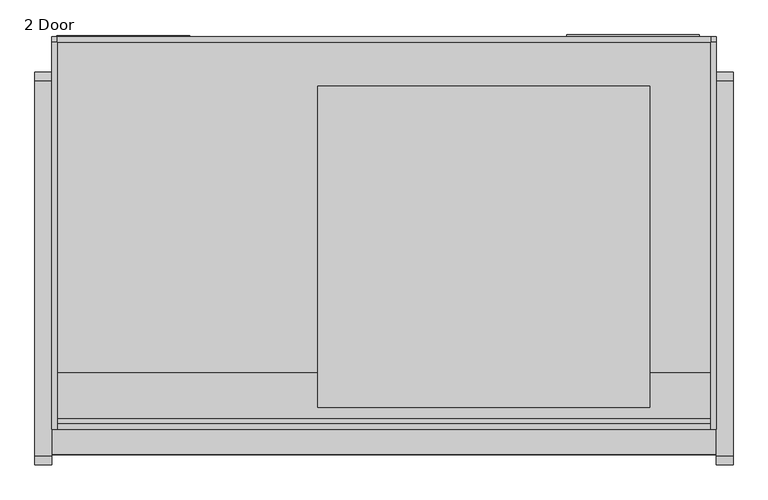
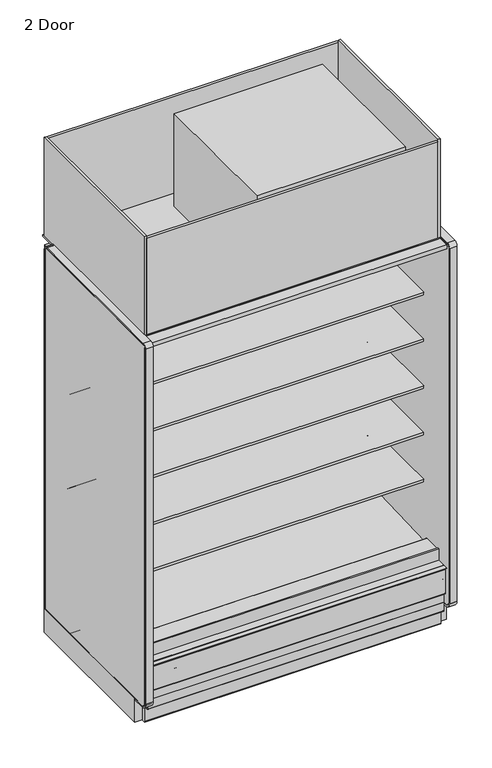
"""IFC4 building model written with IfcOpenShell, lengths in millimetres: proxy geometry, 2 Door."""

from ifc_helpers import new_model, si_unit, point, frame, frame_2d, origin, origin_with_axes, place, context, project, spatial, polyline, circle_curve, trimmed, segment, composite_curve, outline, extrude, source, transform, mapped, element, save


def proxy_2_door_3e0f81ed(model_context):
    return source(origin(), model_context, "Body", "SweptSolid", [
        extrude(outline(polyline([(0.0, -38.6530691), (0.0, 0.0), (914.4, 0.0), (914.4, -38.6530691), (0.0, -38.6530691)])), frame((1524.0, -1078.2703087, 1997.4969004), z_axis=(0.0, 0.24192189559968305, 0.9702957262759927), x_axis=(-1.0, 0.0, 0.0)), (0.0, 0.0, 1.0), 7.3408347),
        extrude(outline(polyline([(-1183.4834873, 177.8), (-1183.4834873, 195.2905293), (-1181.4991123, 191.853491), (-1181.4991123, 175.815625), (-1189.8334873, 175.815625), (-1189.8334873, 133.35), (-1191.8146873, 133.35), (-1191.8146873, 177.8), (-1183.4834873, 177.8)])), frame((0.0, 0.0, 0.0), z_axis=(1.0, 0.0, 0.0), x_axis=(0.0, 1.0, 0.0)), (0.0, 0.0, 1.0), 1524.0),
        extrude(outline(composite_curve([segment(polyline([(-1199.1652772, 323.6525395), (-1199.1652772, 322.7889395), (-1205.4517772, 322.7889395)]), True, "CONTINUOUS"), segment(trimmed(circle_curve(frame_2d((-1205.4517772, 322.0015395)), 0.7874), [point((-1205.4517772, 322.7889395))], [point((-1206.2391772, 322.0015395))], True, "CARTESIAN"), True, "CONTINUOUS"), segment(polyline([(-1206.2391772, 322.0015395), (-1206.2391772, 320.4775395), (-1206.2391772, 189.9871554)]), True, "CONTINUOUS"), segment(trimmed(circle_curve(frame_2d((-1205.4517772, 189.9871554)), 0.7874), [point((-1206.2391772, 189.9871554))], [point((-1205.0580772, 189.305247))], True, "CARTESIAN"), True, "CONTINUOUS"), segment(polyline([(-1205.0580772, 189.305247), (-1186.9673399, 199.7499391)]), True, "CONTINUOUS"), segment(trimmed(circle_curve(frame_2d((-1186.1418399, 198.3201311)), 1.651), [point((-1186.9673399, 199.7499391))], [point((-1184.712032, 199.1456311))], False, "CARTESIAN"), True, "CONTINUOUS"), segment(polyline([(-1184.712032, 199.1456311), (-1179.187532, 189.5769164), (-1179.9354315, 189.1451164), (-1185.4599315, 198.7138311)]), True, "CONTINUOUS"), segment(trimmed(circle_curve(frame_2d((-1186.1418399, 198.3201311)), 0.7874), [point((-1185.4599315, 198.7138311))], [point((-1186.5355399, 199.0020395))], True, "CARTESIAN"), True, "CONTINUOUS"), segment(polyline([(-1186.5355399, 199.0020395), (-1204.6262772, 188.5573475)]), True, "CONTINUOUS"), segment(trimmed(circle_curve(frame_2d((-1205.4517772, 189.9871554)), 1.651), [point((-1204.6262772, 188.5573475))], [point((-1207.1027772, 189.9871554))], False, "CARTESIAN"), True, "CONTINUOUS"), segment(polyline([(-1207.1027772, 189.9871554), (-1207.1027772, 191.5746554), (-1207.1027772, 320.4775395), (-1207.1027772, 322.0015395)]), True, "CONTINUOUS"), segment(trimmed(circle_curve(frame_2d((-1205.4517772, 322.0015395)), 1.651), [point((-1207.1027772, 322.0015395))], [point((-1205.4517772, 323.6525395))], False, "CARTESIAN"), True, "CONTINUOUS"), segment(polyline([(-1205.4517772, 323.6525395), (-1199.1652772, 323.6525395)]), True, "CONTINUOUS")], self_intersect=False)), frame((0.0, 0.0, 0.0), z_axis=(1.0, 0.0, 0.0), x_axis=(0.0, 1.0, 0.0)), (0.0, 0.0, 1.0), 1524.0),
        extrude(outline(polyline([(1371.6, -374.4071273), (1371.6, -1111.0071273), (609.6, -1111.0071273), (609.6, -374.4071273), (1371.6, -374.4071273)])), frame((0.0, 0.0, 2107.5790188), z_axis=(0.0, 0.0, 1.0), x_axis=(1.0, 0.0, 0.0)), (0.0, 0.0, 1.0), 502.2709812),
        extrude(outline(polyline([(1524.0, -260.1071273), (1524.0, -1161.8071273), (0.0, -1161.8071273), (0.0, -260.1071273), (1524.0, -260.1071273)])), frame((0.0, 0.0, 2089.15), z_axis=(0.0, 0.0, 1.0), x_axis=(1.0, 0.0, 0.0)), (0.0, 0.0, 1.0), 6.35),
        extrude(outline(composite_curve([segment(polyline([(-1219.271907, 334.0862), (-1192.8205273, 334.0862)]), True, "CONTINUOUS"), segment(trimmed(circle_curve(frame_2d((-1192.8205273, 332.1304)), 1.9558), [point((-1192.8205273, 334.0862))], [point((-1190.8647273, 332.1304))], False, "CARTESIAN"), True, "CONTINUOUS"), segment(polyline([(-1190.8647273, 332.1304), (-1190.8647273, 321.3862), (-1190.8647273, 300.7449388), (-1192.1324192, 300.7449388), (-1192.1324192, 321.3862), (-1192.1324192, 332.1304)]), True, "CONTINUOUS"), segment(trimmed(circle_curve(frame_2d((-1192.9198192, 332.1304)), 0.7874), [point((-1192.1324192, 332.1304))], [point((-1192.9198192, 332.9178))], True, "CARTESIAN"), True, "CONTINUOUS"), segment(polyline([(-1192.9198192, 332.9178), (-1219.271907, 332.9178), (-1219.271907, 334.0862)]), True, "CONTINUOUS")], self_intersect=False)), frame((0.0, 0.0, 0.0), z_axis=(1.0, 0.0, 0.0), x_axis=(0.0, 1.0, 0.0)), (0.0, 0.0, 1.0), 1524.0),
        extrude(outline(composite_curve([segment(polyline([(-1169.6042697, 82.5444735), (-368.9975849, 82.5444735)]), True, "CONTINUOUS"), segment(trimmed(circle_curve(frame_2d((-372.4259273, 84.5312)), 3.9624), [point((-368.9975849, 82.5444735))], [point((-372.4259273, 80.5688))], False, "CARTESIAN"), True, "CONTINUOUS"), segment(polyline([(-372.4259273, 80.5688), (-1166.1759273, 80.5688)]), True, "CONTINUOUS"), segment(trimmed(circle_curve(frame_2d((-1166.1759273, 84.5312)), 3.9624), [point((-1166.1759273, 80.5688))], [point((-1169.6042697, 82.5444735))], False, "CARTESIAN"), True, "CONTINUOUS")], self_intersect=False)), frame((0.0, 0.0, 0.0), z_axis=(1.0, 0.0, 0.0), x_axis=(0.0, 1.0, 0.0)), (0.0, 0.0, 1.0), 1524.0),
        extrude(outline(composite_curve([segment(polyline([(-1001.3146873, 129.3876), (-1024.7334873, 129.3876)]), True, "CONTINUOUS"), segment(trimmed(circle_curve(frame_2d((-1024.7334873, 127.4064)), 1.9812), [point((-1024.7334873, 129.3876))], [point((-1026.7146873, 127.4064))], True, "CARTESIAN"), True, "CONTINUOUS"), segment(polyline([(-1026.7146873, 127.4064), (-1026.7146873, 86.5124)]), True, "CONTINUOUS"), segment(trimmed(circle_curve(frame_2d((-1030.6770873, 86.5124)), 3.9624), [point((-1026.7146873, 86.5124))], [point((-1030.6770873, 82.55))], False, "CARTESIAN"), True, "CONTINUOUS"), segment(polyline([(-1030.6770873, 82.55), (-1187.8522873, 82.55)]), True, "CONTINUOUS"), segment(trimmed(circle_curve(frame_2d((-1187.8522873, 86.5124)), 3.9624), [point((-1187.8522873, 82.55))], [point((-1191.8146873, 86.5124))], False, "CARTESIAN"), True, "CONTINUOUS"), segment(polyline([(-1191.8146873, 86.5124), (-1191.8146873, 133.35), (-1040.3697273, 133.35), (-1040.3697273, 131.3688), (-1189.8334873, 131.3688), (-1189.8334873, 86.5124)]), True, "CONTINUOUS"), segment(trimmed(circle_curve(frame_2d((-1187.8522873, 86.5124)), 1.9812), [point((-1189.8334873, 86.5124))], [point((-1187.8522873, 84.5312))], True, "CARTESIAN"), True, "CONTINUOUS"), segment(polyline([(-1187.8522873, 84.5312), (-1030.6770873, 84.5312)]), True, "CONTINUOUS"), segment(trimmed(circle_curve(frame_2d((-1030.6770873, 86.5124)), 1.9812), [point((-1030.6770873, 84.5312))], [point((-1028.6958873, 86.5124))], True, "CARTESIAN"), True, "CONTINUOUS"), segment(polyline([(-1028.6958873, 86.5124), (-1028.6958873, 129.3876)]), True, "CONTINUOUS"), segment(trimmed(circle_curve(frame_2d((-1024.7334873, 129.3876)), 3.9624), [point((-1028.6958873, 129.3876))], [point((-1024.7334873, 133.35))], False, "CARTESIAN"), True, "CONTINUOUS"), segment(polyline([(-1024.7334873, 133.35), (-1001.3146873, 133.35), (-1001.3146873, 129.3876)]), True, "CONTINUOUS")], self_intersect=False)), frame((0.0, 0.0, 0.0), z_axis=(1.0, 0.0, 0.0), x_axis=(0.0, 1.0, 0.0)), (0.0, 0.0, 1.0), 1524.0),
        extrude(outline(composite_curve([segment(trimmed(circle_curve(frame_2d((-514.1071273, 127.4064)), 1.9812), [point((-512.1259273, 127.4064))], [point((-514.1071273, 129.3876))], True, "CARTESIAN"), True, "CONTINUOUS"), segment(polyline([(-514.1071273, 129.3876), (-537.5259273, 129.3876), (-537.5259273, 133.1722), (-514.1071273, 133.1722)]), True, "CONTINUOUS"), segment(trimmed(circle_curve(frame_2d((-514.1071273, 129.2098)), 3.9624), [point((-514.1071273, 133.1722))], [point((-510.1447273, 129.2098))], False, "CARTESIAN"), True, "CONTINUOUS"), segment(polyline([(-510.1447273, 129.2098), (-510.1447273, 86.5124)]), True, "CONTINUOUS"), segment(trimmed(circle_curve(frame_2d((-508.1635273, 86.5124)), 1.9812), [point((-510.1447273, 86.5124))], [point((-508.1635273, 84.5312))], True, "CARTESIAN"), True, "CONTINUOUS"), segment(polyline([(-508.1635273, 84.5312), (-350.9883273, 84.5312)]), True, "CONTINUOUS"), segment(trimmed(circle_curve(frame_2d((-350.9883273, 86.5124)), 1.9812), [point((-350.9883273, 84.5312))], [point((-349.0071273, 86.5124))], True, "CARTESIAN"), True, "CONTINUOUS"), segment(polyline([(-349.0071273, 86.5124), (-349.0071273, 133.35), (-347.0259273, 133.35), (-347.0259273, 86.5124)]), True, "CONTINUOUS"), segment(trimmed(circle_curve(frame_2d((-350.9883273, 86.5124)), 3.9624), [point((-347.0259273, 86.5124))], [point((-350.9883273, 82.55))], False, "CARTESIAN"), True, "CONTINUOUS"), segment(polyline([(-350.9883273, 82.55), (-508.1635273, 82.55)]), True, "CONTINUOUS"), segment(trimmed(circle_curve(frame_2d((-508.1635273, 86.5124)), 3.9624), [point((-508.1635273, 82.55))], [point((-512.1259273, 86.5124))], False, "CARTESIAN"), True, "CONTINUOUS"), segment(polyline([(-512.1259273, 86.5124), (-512.1259273, 127.4064)]), True, "CONTINUOUS")], self_intersect=False)), frame((0.0, 0.0, 0.0), z_axis=(1.0, 0.0, 0.0), x_axis=(0.0, 1.0, 0.0)), (0.0, 0.0, 1.0), 1524.0),
        extrude(outline(polyline([(1524.0, -372.4259273), (1524.0, -1166.1759273), (0.0, -1166.1759273), (0.0, -372.4259273), (1524.0, -372.4259273)])), frame((0.0, 0.0, 78.5876), z_axis=(0.0, 0.0, 1.0), x_axis=(1.0, 0.0, 0.0)), (0.0, 0.0, 1.0), 1.9812),
        extrude(outline(composite_curve([segment(polyline([(-372.4259273, 3.9624), (-372.4259273, 1.9812), (-372.4259273, 0.0), (-474.0259273, 0.0), (-474.0259273, 1.9812), (-474.0259273, 3.9624), (-474.0259273, 19.05)]), True, "CONTINUOUS"), segment(trimmed(circle_curve(frame_2d((-499.4259273, 19.05)), 25.4), [point((-474.0259273, 19.05))], [point((-499.4259273, 44.45))], True, "CARTESIAN"), True, "CONTINUOUS"), segment(polyline([(-499.4259273, 44.45), (-1039.1759273, 44.45)]), True, "CONTINUOUS"), segment(trimmed(circle_curve(frame_2d((-1039.1759273, 19.05)), 25.4), [point((-1039.1759273, 44.45))], [point((-1064.5759273, 19.05))], True, "CARTESIAN"), True, "CONTINUOUS"), segment(polyline([(-1064.5759273, 19.05), (-1064.5759273, 3.9624), (-1064.5759273, 1.9812), (-1064.5759273, 0.0), (-1166.1759273, 0.0), (-1166.1759273, 1.9812), (-1166.1759273, 3.9624), (-1166.1759273, 78.5876), (-372.4259273, 78.5876), (-372.4259273, 3.9624)]), True, "CONTINUOUS")], self_intersect=False), holes=[composite_curve([segment(trimmed(circle_curve(frame_2d((-1089.9759273, 69.85)), 4.2164), [point((-1092.0841273, 73.5015095))], [point((-1087.8677273, 66.1984905))], True, "CARTESIAN"), True, "CONTINUOUS"), segment(trimmed(circle_curve(frame_2d((-1089.9759273, 69.85)), 4.2164), [point((-1087.8677273, 66.1984905))], [point((-1092.0841273, 73.5015095))], True, "CARTESIAN"), True, "CONTINUOUS")], self_intersect=False), composite_curve([segment(trimmed(circle_curve(frame_2d((-1089.9759273, 12.7)), 4.2164), [point((-1092.0841273, 16.3515095))], [point((-1087.8677273, 9.0484905))], True, "CARTESIAN"), True, "CONTINUOUS"), segment(trimmed(circle_curve(frame_2d((-1089.9759273, 12.7)), 4.2164), [point((-1087.8677273, 9.0484905))], [point((-1092.0841273, 16.3515095))], True, "CARTESIAN"), True, "CONTINUOUS")], self_intersect=False), composite_curve([segment(trimmed(circle_curve(frame_2d((-448.6259273, 69.85)), 4.2164), [point((-450.7341273, 73.5015095))], [point((-446.5177273, 66.1984905))], True, "CARTESIAN"), True, "CONTINUOUS"), segment(trimmed(circle_curve(frame_2d((-448.6259273, 69.85)), 4.2164), [point((-446.5177273, 66.1984905))], [point((-450.7341273, 73.5015095))], True, "CARTESIAN"), True, "CONTINUOUS")], self_intersect=False), composite_curve([segment(trimmed(circle_curve(frame_2d((-448.6259273, 12.7)), 4.2164), [point((-450.7341273, 16.3515095))], [point((-446.5177273, 9.0484905))], True, "CARTESIAN"), True, "CONTINUOUS"), segment(trimmed(circle_curve(frame_2d((-448.6259273, 12.7)), 4.2164), [point((-446.5177273, 9.0484905))], [point((-450.7341273, 16.3515095))], True, "CARTESIAN"), True, "CONTINUOUS")], self_intersect=False)]), frame((0.0, 0.0, 0.0), z_axis=(1.0, 0.0, 0.0), x_axis=(0.0, 1.0, 0.0)), (0.0, 0.0, 1.0), 1524.0),
        extrude(outline(composite_curve([segment(trimmed(circle_curve(frame_2d((1401.8082444, -305.1108756)), 12.7), [point((1389.1082444, -305.1108756))], [point((1414.5082444, -305.1108756))], False, "CARTESIAN"), True, "CONTINUOUS"), segment(trimmed(circle_curve(frame_2d((1401.8082444, -305.1108756)), 12.7), [point((1414.5082444, -305.1108756))], [point((1389.1082444, -305.1108756))], False, "CARTESIAN"), True, "CONTINUOUS")], self_intersect=False)), frame((0.0, 0.0, 1138.0399939), z_axis=(0.0, 0.0, 1.0), x_axis=(1.0, 0.0, 0.0)), (0.0, 0.0, 1.0), 554.8039204),
        extrude(outline(composite_curve([segment(trimmed(circle_curve(frame_2d((1272.38125, -305.1108756)), 9.525), [point((1262.85625, -305.1108756))], [point((1281.90625, -305.1108756))], False, "CARTESIAN"), True, "CONTINUOUS"), segment(trimmed(circle_curve(frame_2d((1272.38125, -305.1108756)), 9.525), [point((1281.90625, -305.1108756))], [point((1262.85625, -305.1108756))], False, "CARTESIAN"), True, "CONTINUOUS")], self_intersect=False)), frame((0.0, 0.0, 1138.0399939), z_axis=(0.0, 0.0, 1.0), x_axis=(1.0, 0.0, 0.0)), (0.0, 0.0, 1.0), 554.8039204),
        extrude(outline(polyline([(1485.10625, -256.4521239), (1485.10625, -349.0071273), (1481.93125, -349.0071273), (1481.93125, -259.6271239), (1183.48125, -259.6271239), (1183.48125, -349.0071273), (1180.30625, -349.0071273), (1180.30625, -256.4521239), (1485.10625, -256.4521239)])), frame((0.0, 0.0, 193.7512), z_axis=(0.0, 0.0, 1.0), x_axis=(1.0, 0.0, 0.0)), (0.0, 0.0, 1.0), 1438.7950439),
        extrude(outline(polyline([(105.5601284, -782.8225818), (397.6601284, -782.8225818), (397.6601284, -1034.2202905), (105.5601284, -1034.2202905), (105.5601284, -782.8225818)])), frame((0.0, 0.0, 95.25), z_axis=(0.0, 0.0, 1.0), x_axis=(1.0, 0.0, 0.0)), (0.0, 0.0, 1.0), 6.35),
        extrude(outline(composite_curve([segment(trimmed(circle_curve(frame_2d((762.0, -1015.7571273)), 38.1), [point((723.9, -1015.7571273))], [point((800.1, -1015.7571273))], False, "CARTESIAN"), True, "CONTINUOUS"), segment(trimmed(circle_curve(frame_2d((762.0, -1015.7571273)), 38.1), [point((800.1, -1015.7571273))], [point((723.9, -1015.7571273))], False, "CARTESIAN"), True, "CONTINUOUS")], self_intersect=False)), origin_with_axes(), (0.0, 0.0, 1.0), 101.6),
        extrude(outline(polyline([(316.70625, -258.0396239), (316.70625, -349.0071273), (11.90625, -349.0071273), (11.90625, -258.0396239), (316.70625, -258.0396239)])), frame((0.0, 0.0, 1782.450878), z_axis=(0.0, 0.0, 1.0), x_axis=(1.0, 0.0, 0.0)), (0.0, 0.0, 1.0), 254.5161408),
        extrude(outline(composite_curve([segment(polyline([(-453.852044, 591.1422184), (-464.9599362, 590.9259013)]), True, "CONTINUOUS"), segment(trimmed(circle_curve(frame_2d((-465.4478819, 615.9819291)), 25.0607786), [point((-464.9599362, 590.9259013))], [point((-481.3552045, 596.6170199))], False, "CARTESIAN"), True, "CONTINUOUS"), segment(polyline([(-481.3552045, 596.6170199), (-519.5769051, 627.7002885)]), True, "CONTINUOUS"), segment(trimmed(circle_curve(frame_2d((-559.6413782, 578.4348036)), 63.5), [point((-519.5769051, 627.7002885))], [point((-552.7883688, 641.5639274))], True, "CARTESIAN"), True, "CONTINUOUS"), segment(polyline([(-552.7883688, 641.5639274), (-892.1960421, 674.1744175), (-892.1960421, 678.4587439), (-1012.6220004, 678.4587439), (-1012.6220004, 691.9524939), (-453.852044, 691.9524939), (-453.852044, 591.1422184)]), True, "CONTINUOUS")], self_intersect=False)), frame((0.0, 0.0, 0.0), z_axis=(1.0, 0.0, 0.0), x_axis=(0.0, 1.0, 0.0)), (0.0, 0.0, 1.0), 1524.0),
        extrude(outline(composite_curve([segment(polyline([(-453.852044, 845.1422184), (-464.9599362, 844.9259013)]), True, "CONTINUOUS"), segment(trimmed(circle_curve(frame_2d((-465.4478819, 869.9819291)), 25.0607786), [point((-464.9599362, 844.9259013))], [point((-481.3552045, 850.6170199))], False, "CARTESIAN"), True, "CONTINUOUS"), segment(polyline([(-481.3552045, 850.6170199), (-519.5769051, 881.7002885)]), True, "CONTINUOUS"), segment(trimmed(circle_curve(frame_2d((-559.6413782, 832.4348036)), 63.5), [point((-519.5769051, 881.7002885))], [point((-552.7883688, 895.5639274))], True, "CARTESIAN"), True, "CONTINUOUS"), segment(polyline([(-552.7883688, 895.5639274), (-892.1960421, 928.1744175), (-892.1960421, 932.4587439), (-1012.6220004, 932.4587439), (-1012.6220004, 945.9524939), (-453.852044, 945.9524939), (-453.852044, 845.1422184)]), True, "CONTINUOUS")], self_intersect=False)), frame((0.0, 0.0, 0.0), z_axis=(1.0, 0.0, 0.0), x_axis=(0.0, 1.0, 0.0)), (0.0, 0.0, 1.0), 1524.0),
        extrude(outline(composite_curve([segment(polyline([(-453.852044, 1099.1422184), (-464.9599362, 1098.9259013)]), True, "CONTINUOUS"), segment(trimmed(circle_curve(frame_2d((-465.4478819, 1123.9819291)), 25.0607786), [point((-464.9599362, 1098.9259013))], [point((-481.3552045, 1104.6170199))], False, "CARTESIAN"), True, "CONTINUOUS"), segment(polyline([(-481.3552045, 1104.6170199), (-519.5769051, 1135.7002885)]), True, "CONTINUOUS"), segment(trimmed(circle_curve(frame_2d((-559.6413782, 1086.4348036)), 63.5), [point((-519.5769051, 1135.7002885))], [point((-552.7883688, 1149.5639274))], True, "CARTESIAN"), True, "CONTINUOUS"), segment(polyline([(-552.7883688, 1149.5639274), (-892.1960421, 1182.1744175), (-892.1960421, 1186.4587439), (-1012.6220004, 1186.4587439), (-1012.6220004, 1199.9524939), (-453.852044, 1199.9524939), (-453.852044, 1099.1422184)]), True, "CONTINUOUS")], self_intersect=False)), frame((0.0, 0.0, 0.0), z_axis=(1.0, 0.0, 0.0), x_axis=(0.0, 1.0, 0.0)), (0.0, 0.0, 1.0), 1524.0),
        extrude(outline(composite_curve([segment(polyline([(-453.852044, 1353.1422184), (-464.9599362, 1352.9259013)]), True, "CONTINUOUS"), segment(trimmed(circle_curve(frame_2d((-465.4478819, 1377.9819291)), 25.0607786), [point((-464.9599362, 1352.9259013))], [point((-481.3552045, 1358.6170199))], False, "CARTESIAN"), True, "CONTINUOUS"), segment(polyline([(-481.3552045, 1358.6170199), (-519.5769051, 1389.7002885)]), True, "CONTINUOUS"), segment(trimmed(circle_curve(frame_2d((-559.6413782, 1340.4348036)), 63.5), [point((-519.5769051, 1389.7002885))], [point((-552.7883688, 1403.5639274))], True, "CARTESIAN"), True, "CONTINUOUS"), segment(polyline([(-552.7883688, 1403.5639274), (-892.1960421, 1436.1744175), (-892.1960421, 1440.4587439), (-1012.6220004, 1440.4587439), (-1012.6220004, 1453.9524939), (-453.852044, 1453.9524939), (-453.852044, 1353.1422184)]), True, "CONTINUOUS")], self_intersect=False)), frame((0.0, 0.0, 0.0), z_axis=(1.0, 0.0, 0.0), x_axis=(0.0, 1.0, 0.0)), (0.0, 0.0, 1.0), 1524.0),
        extrude(outline(polyline([(1524.0, -272.8071273), (1524.0, -1161.8071273), (1511.3, -1161.8071273), (1511.3, -272.8071273), (1524.0, -272.8071273)])), frame((0.0, 0.0, 2089.15), z_axis=(0.0, 0.0, 1.0), x_axis=(1.0, 0.0, 0.0)), (0.0, 0.0, 1.0), 542.5072188),
        extrude(outline(polyline([(12.7, -272.8071273), (12.7, -1161.8071273), (0.0, -1161.8071273), (0.0, -272.8071273), (12.7, -272.8071273)])), frame((0.0, 0.0, 2089.15), z_axis=(0.0, 0.0, 1.0), x_axis=(1.0, 0.0, 0.0)), (0.0, 0.0, 1.0), 542.5072188),
        extrude(outline(polyline([(1511.3, -260.1071273), (1511.3, -272.8071273), (12.7, -272.8071273), (12.7, -260.1071273), (1511.3, -260.1071273)])), frame((0.0, 0.0, 2095.5), z_axis=(0.0, 0.0, 1.0), x_axis=(1.0, 0.0, 0.0)), (0.0, 0.0, 1.0), 524.1938188),
        extrude(outline(composite_curve([segment(polyline([(-1032.1083773, 2088.5290188), (-1161.8071273, 2088.5290188), (-1161.8071273, 2619.6938188), (-1149.113193, 2619.6938188), (-1149.113193, 2126.5147188)]), True, "CONTINUOUS"), segment(trimmed(circle_curve(frame_2d((-1136.413193, 2126.5147188)), 12.7), [point((-1149.113193, 2126.5147188))], [point((-1136.413193, 2113.8147188))], True, "CARTESIAN"), True, "CONTINUOUS"), segment(polyline([(-1136.413193, 2113.8147188), (-1032.1083773, 2113.8147188), (-1032.1083773, 2088.5290188)]), True, "CONTINUOUS")], self_intersect=False)), frame((12.7, 0.0, 0.0), z_axis=(1.0, 0.0, 0.0), x_axis=(0.0, 1.0, 0.0)), (0.0, 0.0, 1.0), 1498.6),
        extrude(outline(polyline([(-1218.7163962, 2067.3454108), (-1218.7163962, 2088.5290188), (-1134.8551873, 2088.5290188), (-1134.8551873, 2037.6083622), (-1147.784197, 2037.6083622), (-1147.784197, 2067.3454108), (-1218.7163962, 2067.3454108)])), frame((0.0, 0.0, 0.0), z_axis=(1.0, 0.0, 0.0), x_axis=(0.0, 1.0, 0.0)), (0.0, 0.0, 1.0), 1524.0),
        extrude(outline(polyline([(-1147.784197, 334.0862), (-1147.784197, 396.6795495), (-1139.5526974, 396.6795495), (-1139.5526974, 302.7473029), (-1137.9651974, 302.7473029), (-1137.9651974, 300.7449388), (-1190.8639311, 300.7449388), (-1190.8657083, 334.0862), (-1147.784197, 334.0862)])), frame((0.0, 0.0, 0.0), z_axis=(1.0, 0.0, 0.0), x_axis=(0.0, 1.0, 0.0)), (0.0, 0.0, 1.0), 1524.0),
        extrude(outline(composite_curve([segment(polyline([(-453.852044, 1607.1422184), (-464.9599362, 1606.9259013)]), True, "CONTINUOUS"), segment(trimmed(circle_curve(frame_2d((-465.4478819, 1631.9819291)), 25.0607786), [point((-464.9599362, 1606.9259013))], [point((-481.3552045, 1612.6170199))], False, "CARTESIAN"), True, "CONTINUOUS"), segment(polyline([(-481.3552045, 1612.6170199), (-519.5769051, 1643.7002885)]), True, "CONTINUOUS"), segment(trimmed(circle_curve(frame_2d((-559.6413782, 1594.4348036)), 63.5), [point((-519.5769051, 1643.7002885))], [point((-552.7883688, 1657.5639274))], True, "CARTESIAN"), True, "CONTINUOUS"), segment(polyline([(-552.7883688, 1657.5639274), (-892.1960421, 1690.1744175), (-892.1960421, 1694.4587439), (-1012.652044, 1694.4587439), (-1012.652044, 1707.9524939), (-453.852044, 1707.9524939), (-453.852044, 1607.1422184)]), True, "CONTINUOUS")], self_intersect=False)), frame((0.0, 0.0, 0.0), z_axis=(1.0, 0.0, 0.0), x_axis=(0.0, 1.0, 0.0)), (0.0, 0.0, 1.0), 1524.0),
        extrude(outline(polyline([(-349.0071273, 133.35), (-1042.7095547, 133.35), (-1192.1324192, 258.7306705), (-1192.1324192, 300.7449388), (-1137.9651974, 300.7449388), (-1137.9651974, 283.9418925), (-1025.3654807, 189.4595117), (-1009.819944, 190.0023738), (-964.4677493, 157.1934642), (-899.9654388, 159.4459345), (-859.8822128, 192.9404113), (-402.3474764, 220.4377575), (-402.3474764, 2037.6083622), (-1134.8551873, 2037.6083622), (-1134.8551873, 2089.15), (-349.0071273, 2089.15), (-349.0071273, 133.35)])), frame((0.0, 0.0, 0.0), z_axis=(1.0, 0.0, 0.0), x_axis=(0.0, 1.0, 0.0)), (0.0, 0.0, 1.0), 1524.0),
        extrude(outline(polyline([(-569.7966273, 2009.5795495), (-1018.9788197, 2009.5795495), (-1038.3156637, 1986.1261212), (-1044.227619, 1987.6001372), (-1043.8968839, 1988.926643), (-1040.765401, 1988.1458766), (-1023.0938016, 2009.5795495), (-1078.2703087, 2009.5795495), (-1078.2703087, 1997.4969004), (-1075.2026184, 1996.7320393), (-1075.5333534, 1995.4055335), (-1081.4453087, 1996.8795495), (-1081.4453087, 2009.5795495), (-1091.0188306, 2009.5795495), (-1091.0188306, 2025.8814352), (-1103.7188306, 2025.8814352), (-1103.7188306, 2036.9670188), (-402.3474764, 2036.9670188), (-402.3474764, 300.7449388), (-453.852044, 300.7449388), (-453.852044, 2009.5795495), (-569.7966273, 2009.5795495)])), frame((0.0, 0.0, 0.0), z_axis=(1.0, 0.0, 0.0), x_axis=(0.0, 1.0, 0.0)), (0.0, 0.0, 1.0), 1524.0),
        extrude(outline(composite_curve([segment(polyline([(-549.102044, 376.9132463), (-549.102044, 389.995836), (-476.8468712, 389.995836), (-476.8468712, 399.2749991), (-453.852044, 399.2749991), (-453.852044, 380.470836), (-453.852044, 300.7449388), (-402.3474764, 300.7449388), (-402.3474764, 220.4377575), (-859.8822128, 192.9404113), (-899.9654388, 159.4459345), (-964.4677493, 157.1934642), (-1009.819944, 190.0023738), (-1025.3654807, 189.4595117), (-1137.9651974, 283.9418925), (-1137.9651974, 312.2723029), (-1139.5526974, 312.2723029), (-1139.5526974, 388.7420495), (-1040.1411273, 388.7420495)]), True, "CONTINUOUS"), segment(trimmed(circle_curve(frame_2d((-1040.1411273, 386.6846495)), 2.0574), [point((-1040.1411273, 388.7420495))], [point((-1038.0837273, 386.6846495))], False, "CARTESIAN"), True, "CONTINUOUS"), segment(polyline([(-1038.0837273, 386.6846495), (-1038.0837273, 358.6497695), (-549.102044, 376.9132463)]), True, "CONTINUOUS")], self_intersect=False)), frame((0.0, 0.0, 0.0), z_axis=(1.0, 0.0, 0.0), x_axis=(0.0, 1.0, 0.0)), (0.0, 0.0, 1.0), 1524.0),
        extrude(outline(composite_curve([segment(polyline([(-349.0071273, 133.35), (-1209.4321273, 133.35)]), True, "CONTINUOUS"), segment(trimmed(circle_curve(frame_2d((-1209.4321273, 158.75)), 25.4), [point((-1209.4321273, 133.35))], [point((-1234.8321273, 158.75))], False, "CARTESIAN"), True, "CONTINUOUS"), segment(polyline([(-1234.8321273, 158.75), (-1234.8321273, 2082.8)]), True, "CONTINUOUS"), segment(trimmed(circle_curve(frame_2d((-1222.1321273, 2082.8)), 12.7), [point((-1234.8321273, 2082.8))], [point((-1222.1321273, 2095.5))], False, "CARTESIAN"), True, "CONTINUOUS"), segment(polyline([(-1222.1321273, 2095.5), (-361.7071273, 2095.5)]), True, "CONTINUOUS"), segment(trimmed(circle_curve(frame_2d((-361.7071273, 2082.8)), 12.7), [point((-361.7071273, 2095.5))], [point((-349.0071273, 2082.8))], False, "CARTESIAN"), True, "CONTINUOUS"), segment(polyline([(-349.0071273, 2082.8), (-349.0071273, 133.35)]), True, "CONTINUOUS")], self_intersect=False)), frame((1524.0, 0.0, 0.0), z_axis=(1.0, 0.0, 0.0), x_axis=(0.0, 1.0, 0.0)), (0.0, 0.0, 1.0), 38.1),
        extrude(outline(composite_curve([segment(polyline([(-349.0071273, 133.35), (-349.0071273, 2082.8)]), True, "CONTINUOUS"), segment(trimmed(circle_curve(frame_2d((-361.7071273, 2082.8)), 12.7), [point((-349.0071273, 2082.8))], [point((-361.7071273, 2095.5))], True, "CARTESIAN"), True, "CONTINUOUS"), segment(polyline([(-361.7071273, 2095.5), (-1222.1321273, 2095.5)]), True, "CONTINUOUS"), segment(trimmed(circle_curve(frame_2d((-1222.1321273, 2082.8)), 12.7), [point((-1222.1321273, 2095.5))], [point((-1234.8321273, 2082.8))], True, "CARTESIAN"), True, "CONTINUOUS"), segment(polyline([(-1234.8321273, 2082.8), (-1234.8321273, 158.75)]), True, "CONTINUOUS"), segment(trimmed(circle_curve(frame_2d((-1209.4321273, 158.75)), 25.4), [point((-1234.8321273, 158.75))], [point((-1209.4321273, 133.35))], True, "CARTESIAN"), True, "CONTINUOUS"), segment(polyline([(-1209.4321273, 133.35), (-1145.9321273, 133.35), (-1145.9321273, 122.8907563), (-1209.4321273, 122.8907563)]), True, "CONTINUOUS"), segment(trimmed(circle_curve(frame_2d((-1209.4321273, 155.9306)), 33.0398438), [point((-1209.4321273, 122.8907563))], [point((-1242.471971, 155.9306))], False, "CARTESIAN"), True, "CONTINUOUS"), segment(polyline([(-1242.471971, 155.9306), (-1242.471971, 2082.8)]), True, "CONTINUOUS"), segment(trimmed(circle_curve(frame_2d((-1222.1321273, 2082.8)), 20.3398437), [point((-1242.471971, 2082.8))], [point((-1222.1321273, 2103.1398438))], False, "CARTESIAN"), True, "CONTINUOUS"), segment(polyline([(-1222.1321273, 2103.1398438), (-361.7071273, 2103.1398438)]), True, "CONTINUOUS"), segment(trimmed(circle_curve(frame_2d((-361.7071273, 2082.8)), 20.3398437), [point((-361.7071273, 2103.1398438))], [point((-341.3672835, 2082.8))], False, "CARTESIAN"), True, "CONTINUOUS"), segment(polyline([(-341.3672835, 2082.8), (-341.3672835, 133.35), (-349.0071273, 133.35)]), True, "CONTINUOUS")], self_intersect=False)), frame((1524.0, 0.0, 0.0), z_axis=(1.0, 0.0, 0.0), x_axis=(0.0, 1.0, 0.0)), (0.0, 0.0, 1.0), 38.1),
        extrude(outline(composite_curve([segment(polyline([(-349.0071273, 129.3876), (-1209.4321273, 129.3876)]), True, "CONTINUOUS"), segment(trimmed(circle_curve(frame_2d((-1209.4321273, 154.7876)), 25.4), [point((-1209.4321273, 129.3876))], [point((-1234.8321273, 154.7876))], False, "CARTESIAN"), True, "CONTINUOUS"), segment(polyline([(-1234.8321273, 154.7876), (-1234.8321273, 2082.8)]), True, "CONTINUOUS"), segment(trimmed(circle_curve(frame_2d((-1222.1321273, 2082.8)), 12.7), [point((-1234.8321273, 2082.8))], [point((-1222.1321273, 2095.5))], False, "CARTESIAN"), True, "CONTINUOUS"), segment(polyline([(-1222.1321273, 2095.5), (-361.7071273, 2095.5)]), True, "CONTINUOUS"), segment(trimmed(circle_curve(frame_2d((-361.7071273, 2082.8)), 12.7), [point((-361.7071273, 2095.5))], [point((-349.0071273, 2082.8))], False, "CARTESIAN"), True, "CONTINUOUS"), segment(polyline([(-349.0071273, 2082.8), (-349.0071273, 129.3876)]), True, "CONTINUOUS")], self_intersect=False)), frame((-38.1, 0.0, 0.0), z_axis=(1.0, 0.0, 0.0), x_axis=(0.0, 1.0, 0.0)), (0.0, 0.0, 1.0), 38.1),
        extrude(outline(composite_curve([segment(polyline([(-349.0071273, 133.35), (-349.0071273, 2082.8)]), True, "CONTINUOUS"), segment(trimmed(circle_curve(frame_2d((-361.7071273, 2082.8)), 12.7), [point((-349.0071273, 2082.8))], [point((-361.7071273, 2095.5))], True, "CARTESIAN"), True, "CONTINUOUS"), segment(polyline([(-361.7071273, 2095.5), (-1222.1321273, 2095.5)]), True, "CONTINUOUS"), segment(trimmed(circle_curve(frame_2d((-1222.1321273, 2082.8)), 12.7), [point((-1222.1321273, 2095.5))], [point((-1234.8321273, 2082.8))], True, "CARTESIAN"), True, "CONTINUOUS"), segment(polyline([(-1234.8321273, 2082.8), (-1234.8321273, 158.75)]), True, "CONTINUOUS"), segment(trimmed(circle_curve(frame_2d((-1209.4321273, 158.75)), 25.4), [point((-1234.8321273, 158.75))], [point((-1209.4321273, 133.35))], True, "CARTESIAN"), True, "CONTINUOUS"), segment(polyline([(-1209.4321273, 133.35), (-1145.9321273, 133.35), (-1145.9321273, 122.8907563), (-1209.4321273, 122.8907563)]), True, "CONTINUOUS"), segment(trimmed(circle_curve(frame_2d((-1209.4321273, 155.9306)), 33.0398438), [point((-1209.4321273, 122.8907563))], [point((-1242.471971, 155.9306))], False, "CARTESIAN"), True, "CONTINUOUS"), segment(polyline([(-1242.471971, 155.9306), (-1242.471971, 2082.8)]), True, "CONTINUOUS"), segment(trimmed(circle_curve(frame_2d((-1222.1321273, 2082.8)), 20.3398437), [point((-1242.471971, 2082.8))], [point((-1222.1321273, 2103.1398438))], False, "CARTESIAN"), True, "CONTINUOUS"), segment(polyline([(-1222.1321273, 2103.1398438), (-361.7071273, 2103.1398438)]), True, "CONTINUOUS"), segment(trimmed(circle_curve(frame_2d((-361.7071273, 2082.8)), 20.3398437), [point((-361.7071273, 2103.1398438))], [point((-341.3672835, 2082.8))], False, "CARTESIAN"), True, "CONTINUOUS"), segment(polyline([(-341.3672835, 2082.8), (-341.3672835, 133.35), (-349.0071273, 133.35)]), True, "CONTINUOUS")], self_intersect=False)), frame((-38.1, 0.0, 0.0), z_axis=(1.0, 0.0, 0.0), x_axis=(0.0, 1.0, 0.0)), (0.0, 0.0, 1.0), 38.1),
        extrude(outline(polyline([(0.0, -341.3672835), (0.0, -1145.9321273), (-38.1, -1145.9321273), (-38.1, -341.3672835), (0.0, -341.3672835)])), origin_with_axes(), (0.0, 0.0, 1.0), 133.35),
        extrude(outline(polyline([(1562.1, -341.3672835), (1562.1, -1145.9321273), (1524.0, -1145.9321273), (1524.0, -341.3672835), (1562.1, -341.3672835)])), origin_with_axes(), (0.0, 0.0, 1.0), 133.35),
    ])


if __name__ == "__main__":
    model = new_model("IFC4")
    model_context = context("Model", 3, world=origin())
    ifc_project = project(units=[si_unit("LENGTHUNIT", "METRE", prefix="MILLI")], contexts=[model_context])
    site = spatial("IfcSite", under=ifc_project)
    building = spatial("IfcBuilding", under=site)
    placement = place(None, origin())
    proxy_2_door_shape = proxy_2_door_3e0f81ed(model_context)
    element("IfcBuildingElementProxy", 1, Name="2 Door", ObjectType="2 Door", at=placement, inside=building, context=model_context, shape_type="MappedRepresentation", body=[
        mapped(proxy_2_door_shape, transform((0.0, 0.0, 0.0), x_axis=(1.0, 0.0, 0.0), y_axis=(0.0, 1.0, 0.0), z_axis=(0.0, 0.0, 1.0))),
    ])
    save(model, "model.ifc")
